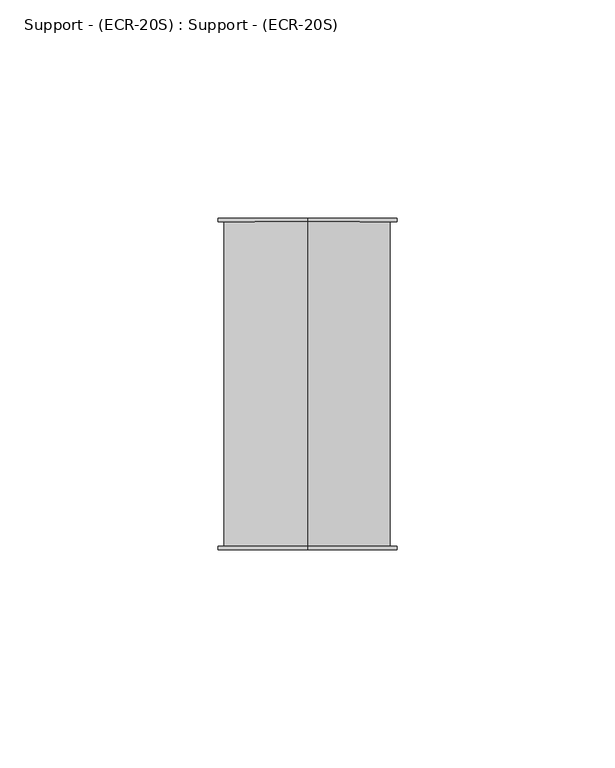
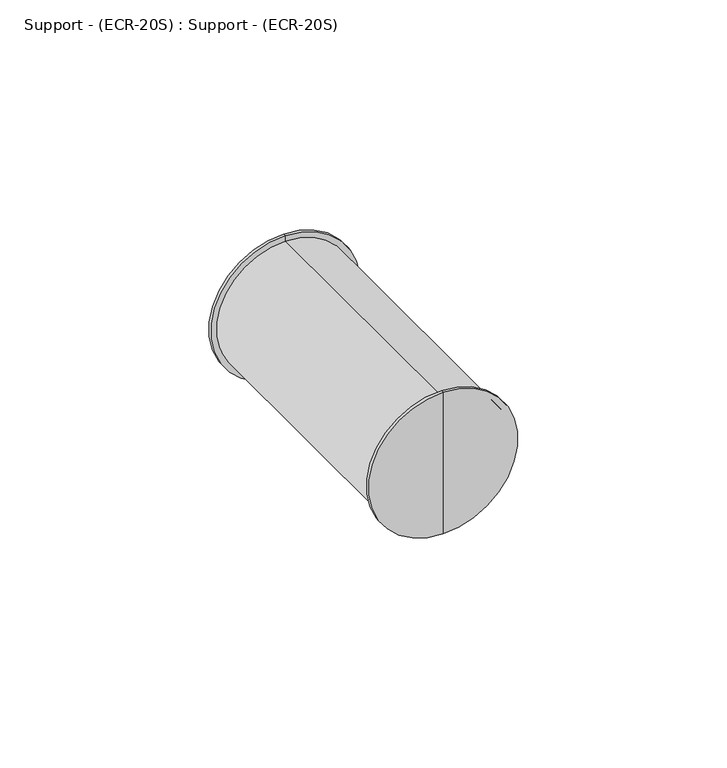
"""IFC4 building model written with IfcOpenShell, lengths in millimetres: proxy geometry, Support - (ECR-20S) : Support - (ECR-20S)."""

from ifc_helpers import new_model, si_unit, frame, origin, place, context, project, spatial, circle_curve, source, transform, mapped, element, save
from ifc_brep_helpers import plane_surface, cylinder_surface, advanced_brep


def support_ecr_20s_support_ecr_20s_006b4ecd(model_context):
    return source(origin(), model_context, "Body", "AdvancedBrep", [
        advanced_brep(
        [(0.0, 3.96875, 4.7625), (0.0, 3.96875, 46.0375), (0.0, 3.96875, 44.45), (0.0, 3.96875, 6.35), (0.0, 3.175, 4.7625), (0.0, 3.175, 46.0375), (0.0, 3.175, 25.4), (0.0, 79.2852417, 4.7625), (0.0, 79.2852417, 46.0375), (0.0, 79.2852417, 25.4), (0.0, 78.4914917, 4.7625), (0.0, 78.4914917, 46.0375), (0.0, 78.4914917, 6.35), (0.0, 78.4914917, 44.45)],
        [
            (0, 1, circle_curve(frame((0.0, 3.96875, 25.4), z_axis=(0.0, 1.0, 0.0), x_axis=(0.0, 0.0, 1.0)), 20.6375)),
            (1, 2),
            (2, 3, circle_curve(frame((0.0, 3.96875, 25.4), z_axis=(0.0, -1.0, 0.0), x_axis=(0.0, 0.0, 1.0)), 19.05)),
            (3, 0),
            (1, 0, circle_curve(frame((0.0, 3.96875, 25.4), z_axis=(0.0, 1.0, 0.0), x_axis=(0.0, 0.0, 1.0)), 20.6375)),
            (3, 2, circle_curve(frame((0.0, 3.96875, 25.4), z_axis=(0.0, -1.0, 0.0), x_axis=(0.0, 0.0, 1.0)), 19.05)),
            (4, 5, circle_curve(frame((0.0, 3.175, 25.4), z_axis=(0.0, 1.0, 0.0), x_axis=(0.0, 0.0, 1.0)), 20.6375)),
            (5, 1),
            (0, 4),
            (5, 4, circle_curve(frame((0.0, 3.175, 25.4), z_axis=(0.0, 1.0, 0.0), x_axis=(0.0, 0.0, 1.0)), 20.6375)),
            (6, 5),
            (4, 6),
            (7, 8, circle_curve(frame((0.0, 79.2852417, 25.4), z_axis=(0.0, 1.0, 0.0), x_axis=(0.0, 0.0, 1.0)), 20.6375)),
            (8, 9),
            (9, 7),
            (8, 7, circle_curve(frame((0.0, 79.2852417, 25.4), z_axis=(0.0, 1.0, 0.0), x_axis=(0.0, 0.0, 1.0)), 20.6375)),
            (10, 11, circle_curve(frame((0.0, 78.4914917, 25.4), z_axis=(0.0, 1.0, 0.0), x_axis=(0.0, 0.0, 1.0)), 20.6375)),
            (11, 8),
            (7, 10),
            (11, 10, circle_curve(frame((0.0, 78.4914917, 25.4), z_axis=(0.0, 1.0, 0.0), x_axis=(0.0, 0.0, 1.0)), 20.6375)),
            (12, 13, circle_curve(frame((0.0, 78.4914917, 25.4), z_axis=(0.0, 1.0, 0.0), x_axis=(0.0, 0.0, 1.0)), 19.05)),
            (13, 11),
            (10, 12),
            (13, 12, circle_curve(frame((0.0, 78.4914917, 25.4), z_axis=(0.0, 1.0, 0.0), x_axis=(0.0, 0.0, 1.0)), 19.05)),
            (2, 13),
            (12, 3),
        ],
        [
            plane_surface(frame((0.0, 3.96875, 25.4), z_axis=(0.0, 1.0, 0.0), x_axis=(0.0, 0.0, 1.0))),
            cylinder_surface(frame((0.0, 79.2852417, 25.4), z_axis=(0.0, -1.0, 0.0), x_axis=(0.0, 0.0, 1.0)), 20.6375),
            plane_surface(frame((0.0, 3.175, 25.4), z_axis=(0.0, -1.0, 0.0), x_axis=(0.0, 0.0, 1.0))),
            plane_surface(frame((0.0, 79.2852417, 25.4), z_axis=(0.0, 1.0, 0.0), x_axis=(0.0, 0.0, 1.0))),
            plane_surface(frame((0.0, 78.4914917, 25.4), z_axis=(0.0, -1.0, 0.0), x_axis=(0.0, 0.0, 1.0))),
            cylinder_surface(frame((0.0, 79.2852417, 25.4), z_axis=(0.0, -1.0, 0.0), x_axis=(0.0, 0.0, 1.0)), 19.05),
        ],
        [
            (0, [[1, 2, 3, 4]]),
            (0, [[5, -4, 6, -2]]),
            (1, [[7, 8, -1, 9]]),
            (1, [[10, -9, -5, -8]]),
            (2, [[11, -7, 12]]),
            (2, [[-12, -10, -11]]),
            (3, [[13, 14, 15]]),
            (3, [[16, -15, -14]]),
            (1, [[17, 18, -13, 19]]),
            (1, [[20, -19, -16, -18]]),
            (4, [[21, 22, -17, 23]]),
            (4, [[24, -23, -20, -22]]),
            (5, [[-3, 25, -21, 26]]),
            (5, [[-6, -26, -24, -25]]),
        ],
    ),
    ])


if __name__ == "__main__":
    model = new_model("IFC4")
    model_context = context("Model", 3, world=origin())
    ifc_project = project(units=[si_unit("LENGTHUNIT", "METRE", prefix="MILLI")], contexts=[model_context])
    site = spatial("IfcSite", under=ifc_project)
    building = spatial("IfcBuilding", under=site)
    placement = place(None, origin())
    support_ecr_20s_support_ecr_20s_shape = support_ecr_20s_support_ecr_20s_006b4ecd(model_context)
    element("IfcBuildingElementProxy", 1, Name="Support - (ECR-20S) : Support - (ECR-20S)", ObjectType="Support - (ECR-20S) : Support - (ECR-20S)", at=placement, inside=building, context=model_context, shape_type="MappedRepresentation", body=[
        mapped(support_ecr_20s_support_ecr_20s_shape, transform((0.0, 0.0, 0.0), x_axis=(1.0, 0.0, 0.0), y_axis=(0.0, 1.0, 0.0), z_axis=(0.0, 0.0, 1.0))),
    ])
    save(model, "model.ifc")
